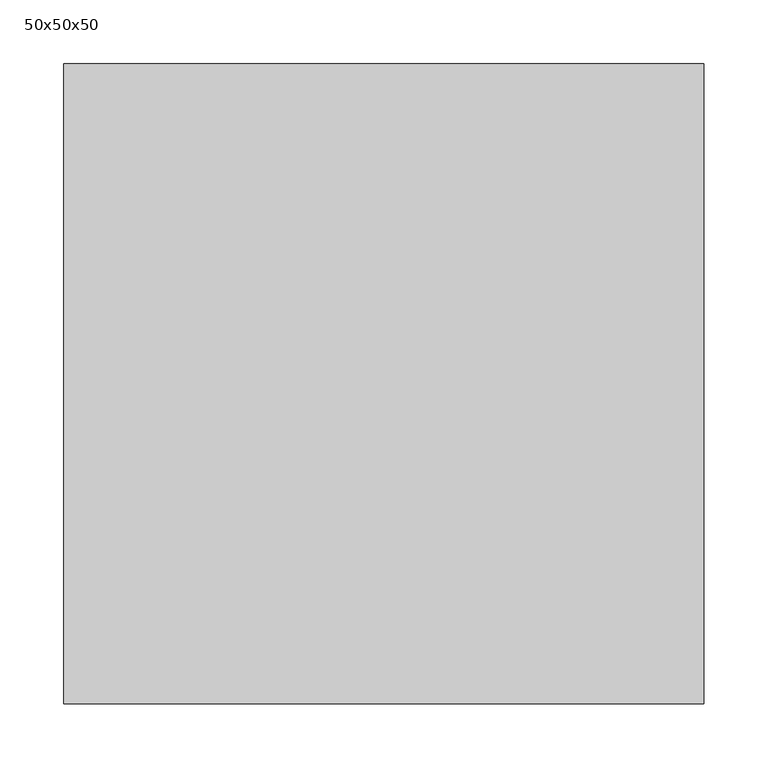
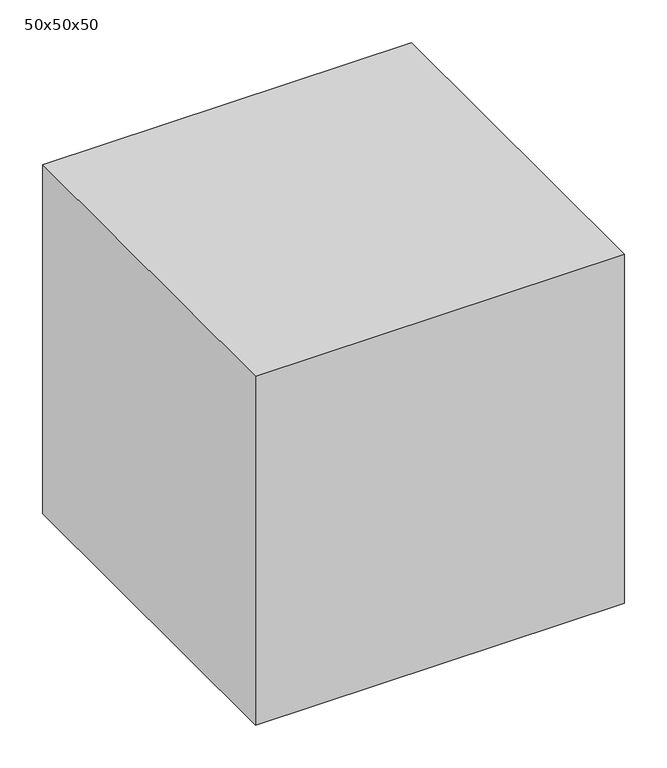
"""IFC4 building model written with IfcOpenShell, lengths in millimetres: proxy geometry, 50x50x50."""

from ifc_helpers import new_model, si_unit, origin, origin_with_axes, place, context, project, spatial, polyline, outline, extrude, source, transform, mapped, element, save


def proxy_50x50x50_695b191d(model_context):
    return source(origin(), model_context, "Body", "SweptSolid", [
        extrude(outline(polyline([(500.0, 500.0), (500.0, 0.0), (0.0, 0.0), (0.0, 500.0), (500.0, 500.0)])), origin_with_axes(), (0.0, 0.0, 1.0), 500.0),
    ])


if __name__ == "__main__":
    model = new_model("IFC4")
    model_context = context("Model", 3, world=origin())
    ifc_project = project(units=[si_unit("LENGTHUNIT", "METRE", prefix="MILLI")], contexts=[model_context])
    site = spatial("IfcSite", under=ifc_project)
    building = spatial("IfcBuilding", under=site)
    placement = place(None, origin())
    proxy_50x50x50_shape = proxy_50x50x50_695b191d(model_context)
    element("IfcBuildingElementProxy", 1, Name="50x50x50", ObjectType="50x50x50", at=placement, inside=building, context=model_context, shape_type="MappedRepresentation", body=[
        mapped(proxy_50x50x50_shape, transform((0.0, 0.0, 0.0), x_axis=(1.0, 0.0, 0.0), y_axis=(0.0, 1.0, 0.0), z_axis=(0.0, 0.0, 1.0))),
    ])
    save(model, "model.ifc")
